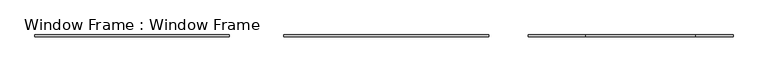
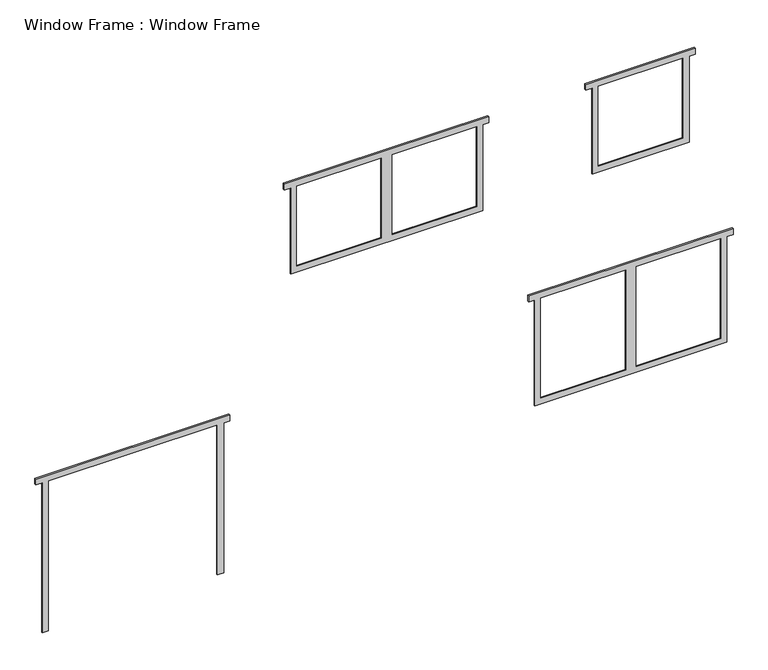
"""IFC4 building model written with IfcOpenShell, lengths in millimetres: proxy geometry, Window Frame : Window Frame."""

from ifc_helpers import new_model, si_unit, origin, place, context, project, spatial, faceted_brep, source, transform, mapped, element, save


def window_frame_window_frame_6c7c5e47(model_context):
    return source(origin(), model_context, "Body", "Brep", [
        faceted_brep([(6922.803833, 13977.6809329, 2743.2), (6922.803833, 13977.6809329, 1219.2), (8142.003833, 13977.6809329, 1219.2), (8142.003833, 13977.6809329, 2743.2), (8230.903833, 13977.6809329, 2743.2), (8230.903833, 13977.6809329, 1130.3), (5462.303833, 13977.6809329, 1130.3), (5462.303833, 13977.6809329, 2743.2), (5551.203833, 13977.6809329, 2743.2), (5551.203833, 13977.6809329, 1219.2), (6770.403833, 13977.6809329, 1219.2), (6770.403833, 13977.6809329, 2743.2), (5462.303833, 13964.9809329, 1130.3), (8230.903833, 13964.9809329, 1130.3), (8230.903833, 13964.9809329, 2743.2), (8319.803833, 13964.9809329, 2743.2), (8319.803833, 13964.9809329, 2832.1), (5373.403833, 13964.9809329, 2832.1), (5373.403833, 13964.9809329, 2743.2), (5462.303833, 13964.9809329, 2743.2), (6922.803833, 13964.9809329, 2743.2), (8142.003833, 13964.9809329, 2743.2), (8142.003833, 13964.9809329, 1219.2), (6922.803833, 13964.9809329, 1219.2), (5551.203833, 13964.9809329, 1219.2), (5551.203833, 13964.9809329, 2743.2), (6770.403833, 13964.9809329, 2743.2), (6770.403833, 13964.9809329, 1219.2), (5373.403833, 13990.3809329, 2743.2), (8319.803833, 13990.3809329, 2743.2), (8319.803833, 13990.3809329, 2832.1), (5373.403833, 13990.3809329, 2832.1)], [[[0, 1, 2, 3, 4, 5, 6, 7, 8, 9, 10, 11]], [[12, 13, 14, 15, 16, 17, 18, 19], [20, 21, 22, 23], [24, 25, 26, 27]], [[1, 0, 20, 23]], [[2, 1, 23, 22]], [[3, 2, 22, 21]], [[21, 20, 0, 11, 26, 25, 8, 7, 19, 18, 28, 29, 15, 14, 4, 3]], [[10, 9, 24, 27]], [[11, 10, 27, 26]], [[9, 8, 25, 24]], [[17, 16, 30, 31]], [[13, 5, 4, 14]], [[6, 5, 13, 12]], [[6, 12, 19, 7]], [[30, 29, 28, 31]], [[29, 30, 16, 15]], [[31, 28, 18, 17]]]),
        faceted_brep([(7684.803833, 13977.6809329, 4371.975), (6287.803833, 13977.6809329, 4371.975), (6287.803833, 13977.6809329, 5680.075), (6376.703833, 13977.6809329, 5680.075), (6376.703833, 13977.6809329, 4460.875), (7595.903833, 13977.6809329, 4460.875), (7595.903833, 13977.6809329, 5680.075), (7684.803833, 13977.6809329, 5680.075), (6287.803833, 13964.9809329, 4371.975), (7684.803833, 13964.9809329, 4371.975), (7684.803833, 13964.9809329, 5680.075), (7773.703833, 13964.9809329, 5680.075), (7773.703833, 13964.9809329, 5768.975), (6198.903833, 13964.9809329, 5768.975), (6198.903833, 13964.9809329, 5680.075), (6287.803833, 13964.9809329, 5680.075), (6376.703833, 13964.9809329, 4460.875), (6376.703833, 13964.9809329, 5680.075), (7595.903833, 13964.9809329, 5680.075), (7595.903833, 13964.9809329, 4460.875), (7773.703833, 13990.3809329, 5768.975), (6198.903833, 13990.3809329, 5768.975), (6198.903833, 13990.3809329, 5680.075), (7773.703833, 13990.3809329, 5680.075)], [[[0, 1, 2, 3, 4, 5, 6, 7]], [[8, 9, 10, 11, 12, 13, 14, 15], [16, 17, 18, 19]], [[13, 12, 20, 21]], [[9, 0, 7, 10]], [[1, 0, 9, 8]], [[1, 8, 15, 2]], [[5, 4, 16, 19]], [[6, 5, 19, 18]], [[18, 17, 3, 2, 15, 14, 22, 23, 11, 10, 7, 6]], [[4, 3, 17, 16]], [[21, 20, 23, 22]], [[23, 20, 12, 11]], [[21, 22, 14, 13]]]),
        faceted_brep([(4713.003833, 13977.6809329, 4371.975), (1944.403833, 13977.6809329, 4371.975), (1944.403833, 13977.6809329, 5680.075), (2033.303833, 13977.6809329, 5680.075), (2033.303833, 13977.6809329, 4460.875), (3252.503833, 13977.6809329, 4460.875), (3252.503833, 13977.6809329, 5680.075), (3404.903833, 13977.6809329, 5680.075), (3404.903833, 13977.6809329, 4460.875), (4624.103833, 13977.6809329, 4460.875), (4624.103833, 13977.6809329, 5680.075), (4713.003833, 13977.6809329, 5680.075), (1944.403833, 13964.9809329, 4371.975), (4713.003833, 13964.9809329, 4371.975), (4713.003833, 13964.9809329, 5680.075), (4801.903833, 13964.9809329, 5680.075), (4801.903833, 13964.9809329, 5768.975), (1855.503833, 13964.9809329, 5768.975), (1855.503833, 13964.9809329, 5680.075), (1944.403833, 13964.9809329, 5680.075), (3404.903833, 13964.9809329, 4460.875), (3404.903833, 13964.9809329, 5680.075), (4624.103833, 13964.9809329, 5680.075), (4624.103833, 13964.9809329, 4460.875), (3252.503833, 13964.9809329, 5680.075), (3252.503833, 13964.9809329, 4460.875), (2033.303833, 13964.9809329, 4460.875), (2033.303833, 13964.9809329, 5680.075), (4801.903833, 13990.3809329, 5768.975), (1855.503833, 13990.3809329, 5768.975), (1855.503833, 13990.3809329, 5680.075), (4801.903833, 13990.3809329, 5680.075)], [[[0, 1, 2, 3, 4, 5, 6, 7, 8, 9, 10, 11]], [[12, 13, 14, 15, 16, 17, 18, 19], [20, 21, 22, 23], [24, 25, 26, 27]], [[17, 16, 28, 29]], [[13, 0, 11, 14]], [[1, 0, 13, 12]], [[1, 12, 19, 2]], [[9, 8, 20, 23]], [[10, 9, 23, 22]], [[24, 27, 3, 2, 19, 18, 30, 31, 15, 14, 11, 10, 22, 21, 7, 6]], [[4, 3, 27, 26]], [[8, 7, 21, 20]], [[5, 4, 26, 25]], [[6, 5, 25, 24]], [[28, 31, 30, 29]], [[31, 28, 16, 15]], [[29, 30, 18, 17]]]),
        faceted_brep([(979.203833, 13977.6809329, 2438.4), (979.203833, 13977.6809329, 152.4), (890.303833, 13977.6809329, 152.4), (890.303833, 13977.6809329, 2438.4), (-1636.996167, 13977.6809329, 152.4), (-1636.996167, 13977.6809329, 2438.4), (-1548.096167, 13977.6809329, 2438.4), (-1548.096167, 13977.6809329, 152.4), (890.303833, 13964.9809329, 2438.4), (890.303833, 13964.9809329, 152.4), (979.203833, 13964.9809329, 152.4), (979.203833, 13964.9809329, 2438.4), (1068.103833, 13964.9809329, 2438.4), (1068.103833, 13964.9809329, 2527.3), (-1725.896167, 13964.9809329, 2527.3), (-1725.896167, 13964.9809329, 2438.4), (-1636.996167, 13964.9809329, 2438.4), (-1636.996167, 13964.9809329, 152.4), (-1548.096167, 13964.9809329, 152.4), (-1548.096167, 13964.9809329, 2438.4), (1068.103833, 13990.3809329, 2527.3), (1068.103833, 13990.3809329, 2438.4), (-1725.896167, 13990.3809329, 2438.4), (-1725.896167, 13990.3809329, 2527.3)], [[[0, 1, 2, 3]], [[4, 5, 6, 7]], [[8, 9, 10, 11, 12, 13, 14, 15, 16, 17, 18, 19]], [[20, 21, 22, 23]], [[1, 0, 11, 10]], [[2, 1, 10, 9]], [[3, 2, 9, 8]], [[5, 4, 17, 16]], [[7, 6, 19, 18]], [[4, 7, 18, 17]], [[21, 20, 13, 12]], [[22, 21, 12, 11, 0, 3, 8, 19, 6, 5, 16, 15]], [[23, 22, 15, 14]], [[20, 23, 14, 13]]]),
    ])


if __name__ == "__main__":
    model = new_model("IFC4")
    model_context = context("Model", 3, world=origin())
    ifc_project = project(units=[si_unit("LENGTHUNIT", "METRE", prefix="MILLI")], contexts=[model_context])
    site = spatial("IfcSite", under=ifc_project)
    building = spatial("IfcBuilding", under=site)
    placement = place(None, origin())
    window_frame_window_frame_shape = window_frame_window_frame_6c7c5e47(model_context)
    element("IfcBuildingElementProxy", 1, Name="Window Frame : Window Frame", ObjectType="Window Frame : Window Frame", at=placement, inside=building, context=model_context, shape_type="MappedRepresentation", body=[
        mapped(window_frame_window_frame_shape, transform((0.0, 0.0, 0.0), x_axis=(1.0, 0.0, 0.0), y_axis=(0.0, 1.0, 0.0), z_axis=(0.0, 0.0, 1.0))),
    ])
    save(model, "model.ifc")
